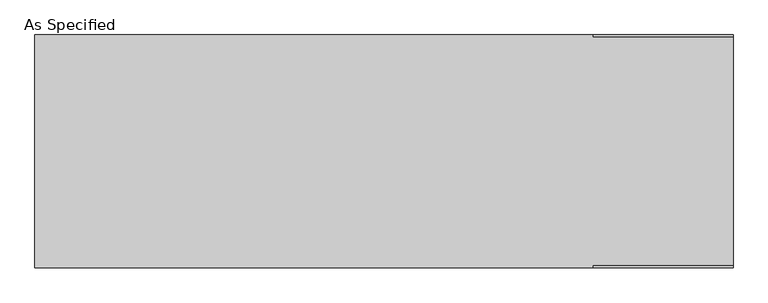
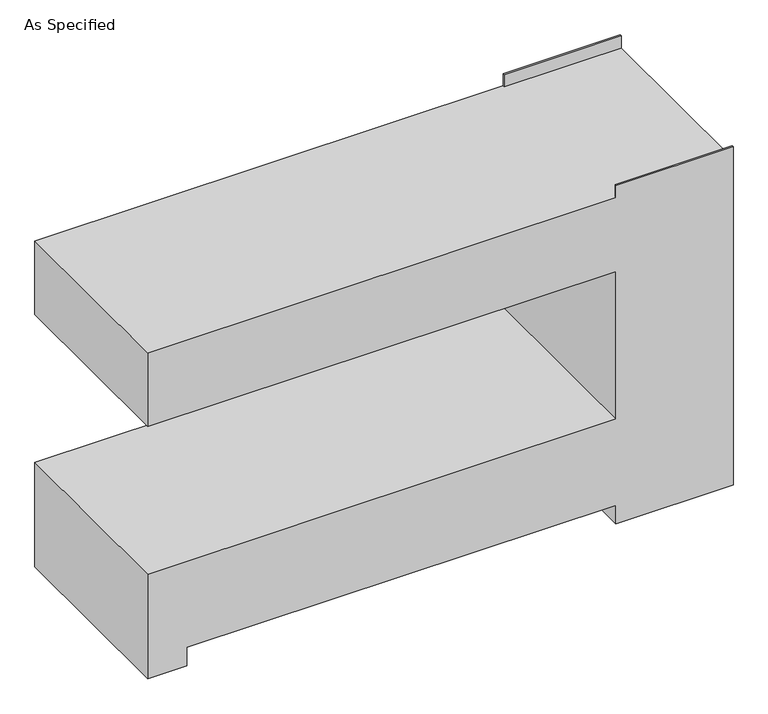
"""IFC4 building model written with IfcOpenShell, lengths in millimetres: proxy geometry, As Specified."""

from ifc_helpers import new_model, si_unit, origin, place, context, project, spatial, faceted_brep, source, transform, mapped, element, save


def as_specified_69c1cd88(model_context):
    return source(origin(), model_context, "Body", "Brep", [
        faceted_brep([(-1143.0, 381.0, 1346.2), (-1143.0, -381.0, 1346.2), (685.8, -381.0, 1346.2), (685.8, -374.65, 1346.2), (1143.0, -374.65, 1346.2), (1143.0, 374.65, 1346.2), (685.8, 374.65, 1346.2), (685.8, 381.0, 1346.2), (1143.0, 381.0, 0.0), (1143.0, -381.0, 0.0), (685.8, -381.0, 0.0), (685.8, 381.0, 0.0), (-1143.0, -381.0, 0.0), (-1143.0, 381.0, 0.0), (-990.6, 381.0, 0.0), (-990.6, -381.0, 0.0), (685.8, 381.0, 76.2), (-990.6, 381.0, 76.2), (-1143.0, 381.0, 431.8), (685.8, 381.0, 431.8), (685.8, 381.0, 1041.4), (-1143.0, 381.0, 1041.4), (685.8, 381.0, 1397.0), (1143.0, 381.0, 1397.0), (-1143.0, -381.0, 1041.4), (-1143.0, -381.0, 431.8), (-990.6, -381.0, 76.2), (685.8, -381.0, 76.2), (1143.0, -381.0, 1397.0), (685.8, -381.0, 1397.0), (685.8, -381.0, 1041.4), (685.8, -381.0, 431.8), (1143.0, 374.65, 1397.0), (1143.0, -374.65, 1397.0), (685.8, -374.65, 1397.0), (685.8, 374.65, 1397.0)], [[[0, 1, 2, 3, 4, 5, 6, 7]], [[8, 9, 10, 11]], [[12, 13, 14, 15]], [[8, 11, 16, 17, 14, 13, 18, 19, 20, 21, 0, 7, 22, 23]], [[1, 0, 21, 24]], [[13, 12, 25, 18]], [[25, 12, 15, 26, 27, 10, 9, 28, 29, 2, 1, 24, 30, 31]], [[9, 8, 23, 32, 5, 4, 33, 28]], [[31, 19, 18, 25]], [[19, 31, 30, 20]], [[20, 30, 24, 21]], [[17, 26, 15, 14]], [[27, 16, 11, 10]], [[26, 17, 16, 27]], [[29, 34, 3, 2]], [[34, 29, 28, 33]], [[3, 34, 33, 4]], [[22, 7, 6, 35]], [[22, 35, 32, 23]], [[35, 6, 5, 32]]]),
    ])


if __name__ == "__main__":
    model = new_model("IFC4")
    model_context = context("Model", 3, world=origin())
    ifc_project = project(units=[si_unit("LENGTHUNIT", "METRE", prefix="MILLI")], contexts=[model_context])
    site = spatial("IfcSite", under=ifc_project)
    building = spatial("IfcBuilding", under=site)
    placement = place(None, origin())
    as_specified_shape = as_specified_69c1cd88(model_context)
    element("IfcBuildingElementProxy", 1, Name="As Specified", ObjectType="As Specified", at=placement, inside=building, context=model_context, shape_type="MappedRepresentation", body=[
        mapped(as_specified_shape, transform((0.0, 0.0, 0.0), x_axis=(1.0, 0.0, 0.0), y_axis=(0.0, 1.0, 0.0), z_axis=(0.0, 0.0, 1.0))),
    ])
    save(model, "model.ifc")
